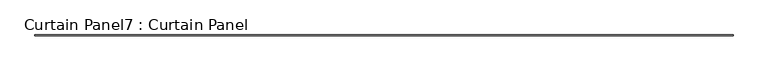
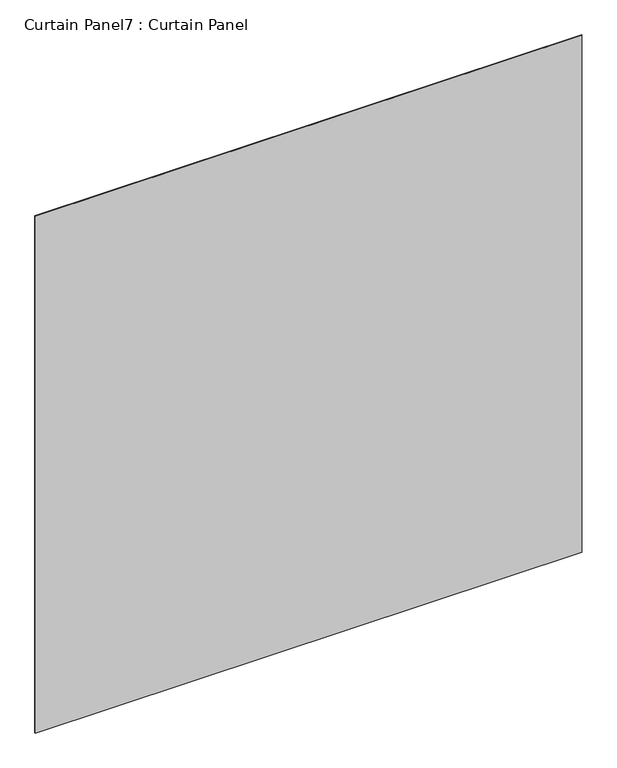
"""IFC4 building model written with IfcOpenShell, lengths in millimetres: plate geometry, Curtain Panel7 : Curtain Panel."""

from ifc_helpers import new_model, si_unit, frame, origin, place, context, project, spatial, polyline, outline, extrude, source, transform, mapped, element, save


def curtain_panel7_curtain_panel_5f5162df(model_context):
    return source(origin(), model_context, "Body", "SweptSolid", [
        extrude(outline(polyline([(185404.3916143, 2929.5784455), (179390.9416061, 2929.5784455), (179390.9416061, 2935.9284455), (185404.3916143, 2935.9284455), (185404.3916143, 2929.5784455)])), frame((0.0, 0.0, 7224.5236458), z_axis=(0.0, 0.0, 1.0), x_axis=(1.0, 0.0, 0.0)), (0.0, 0.0, 1.0), 6010.131706),
    ])


if __name__ == "__main__":
    model = new_model("IFC4")
    model_context = context("Model", 3, world=origin())
    ifc_project = project(units=[si_unit("LENGTHUNIT", "METRE", prefix="MILLI")], contexts=[model_context])
    site = spatial("IfcSite", under=ifc_project)
    building = spatial("IfcBuilding", under=site)
    placement = place(None, origin())
    curtain_panel7_curtain_panel_shape = curtain_panel7_curtain_panel_5f5162df(model_context)
    element("IfcPlate", 1, ObjectType="Curtain Panel7 : Curtain Panel", at=placement, inside=building, context=model_context, shape_type="MappedRepresentation", body=[
        mapped(curtain_panel7_curtain_panel_shape, transform((0.0, 0.0, 0.0), x_axis=(1.0, 0.0, 0.0), y_axis=(0.0, 1.0, 0.0), z_axis=(0.0, 0.0, 1.0))),
    ])
    save(model, "model.ifc")
